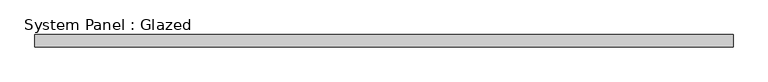
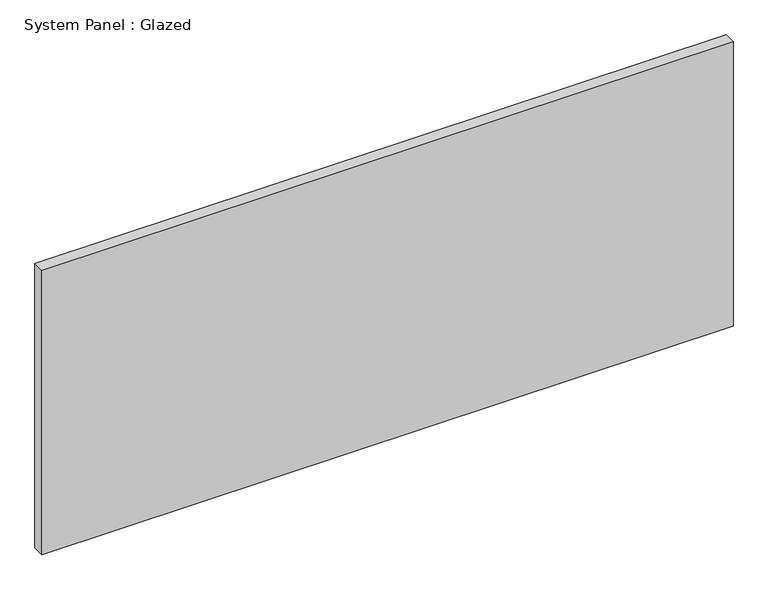
"""IFC4 building model written with IfcOpenShell, lengths in millimetres: plate geometry, System Panel : Glazed."""

from ifc_helpers import new_model, si_unit, origin, origin_with_axes, place, context, project, spatial, polyline, outline, extrude, source, transform, mapped, element, save


def system_panel_glazed_225f73e6(model_context):
    return source(origin(), model_context, "Body", "SweptSolid", [
        extrude(outline(polyline([(718.3333333, 24.5), (-718.3333333, 24.5), (-718.3333333, 49.5), (718.3333333, 49.5), (718.3333333, 24.5)])), origin_with_axes(), (0.0, 0.0, 1.0), 625.0),
    ])


if __name__ == "__main__":
    model = new_model("IFC4")
    model_context = context("Model", 3, world=origin())
    ifc_project = project(units=[si_unit("LENGTHUNIT", "METRE", prefix="MILLI")], contexts=[model_context])
    site = spatial("IfcSite", under=ifc_project)
    building = spatial("IfcBuilding", under=site)
    placement = place(None, origin())
    system_panel_glazed_shape = system_panel_glazed_225f73e6(model_context)
    element("IfcPlate", 1, ObjectType="System Panel : Glazed", at=placement, inside=building, context=model_context, shape_type="MappedRepresentation", body=[
        mapped(system_panel_glazed_shape, transform((0.0, 0.0, 0.0), x_axis=(1.0, 0.0, 0.0), y_axis=(0.0, 1.0, 0.0), z_axis=(0.0, 0.0, 1.0))),
    ])
    save(model, "model.ifc")
